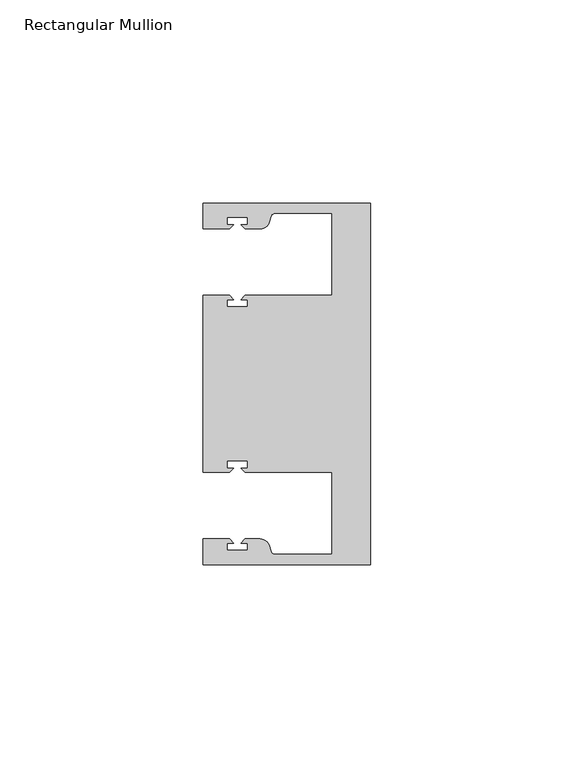
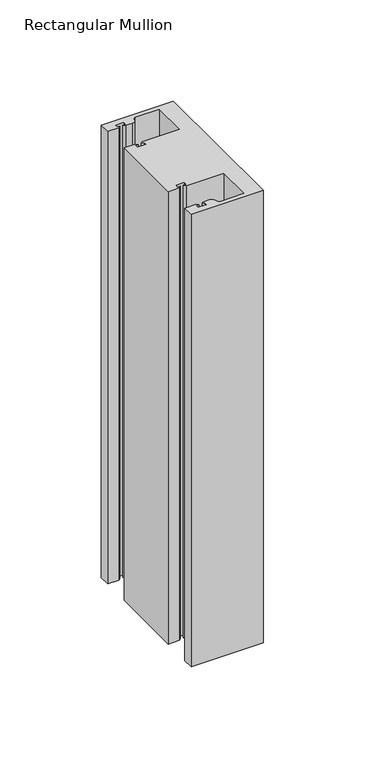
"""IFC4 building model written with IfcOpenShell, lengths in millimetres: member geometry, Rectangular Mullion."""

from ifc_helpers import new_model, si_unit, point, frame, frame_2d, origin, place, context, project, spatial, polyline, circle_curve, trimmed, segment, composite_curve, outline, extrude, source, transform, mapped, element, save


def rectangular_mullion_097ff7a3(model_context):
    return source(origin(), model_context, "Body", "SweptSolid", [
        extrude(outline(composite_curve([segment(polyline([(0.0, 44.45), (0.0, -44.45), (-41.275, -44.45), (-41.275, -38.1499897), (-34.8007531, -38.1499897), (-33.8007405, -39.1500023), (-35.3749778, -39.1500023), (-35.3749778, -40.9498819), (-30.3749831, -40.9498819), (-30.3749831, -39.1500023), (-31.949256, -39.1500023), (-30.9492503, -38.1499966), (-27.2637853, -38.1499966)]), True, "CONTINUOUS"), segment(trimmed(circle_curve(frame_2d((-27.2637853, -40.6499966)), 2.5), [point((-27.2637853, -38.1499966))], [point((-24.8489707, -40.002949))], False, "CARTESIAN"), True, "CONTINUOUS"), segment(polyline([(-24.8489707, -40.002949), (-24.5258588, -41.2088192)]), True, "CONTINUOUS"), segment(trimmed(circle_curve(frame_2d((-23.5599329, -40.9500001)), 1.0), [point((-24.5258588, -41.2088192))], [point((-23.5599329, -41.9500001))], True, "CARTESIAN"), True, "CONTINUOUS"), segment(polyline([(-23.5599329, -41.9500001), (-9.525, -41.95), (-9.525, -21.7499959), (-30.9492434, -21.7499959), (-31.949256, -20.7499834), (-30.3750186, -20.7499834), (-30.3750186, -18.949936), (-35.3750134, -18.949936), (-35.3750134, -20.7499834), (-33.8007405, -20.7499834), (-34.8007562, -21.749999), (-41.275, -21.749999), (-41.275, 21.749999), (-34.8007562, 21.749999), (-33.8007405, 20.7499834), (-35.3750134, 20.7499834), (-35.3750134, 18.949936), (-30.3750186, 18.949936), (-30.3750186, 20.7499834), (-31.949256, 20.7499834), (-30.9492434, 21.7499959), (-9.525, 21.7499959), (-9.525, 41.95), (-23.5599329, 41.95)]), True, "CONTINUOUS"), segment(trimmed(circle_curve(frame_2d((-23.5599329, 40.9500001)), 1.0), [point((-23.5599329, 41.95))], [point((-24.5258588, 41.2088192))], True, "CARTESIAN"), True, "CONTINUOUS"), segment(polyline([(-24.5258588, 41.2088192), (-24.8489707, 40.002949)]), True, "CONTINUOUS"), segment(trimmed(circle_curve(frame_2d((-27.2637853, 40.6499966)), 2.5), [point((-24.8489707, 40.002949))], [point((-27.2637853, 38.1499966))], False, "CARTESIAN"), True, "CONTINUOUS"), segment(polyline([(-27.2637853, 38.1499966), (-30.9492503, 38.1499966), (-31.949256, 39.1500023), (-30.3749831, 39.1500023), (-30.3749831, 40.9498819), (-35.3749778, 40.9498819), (-35.3749778, 39.1500023), (-33.8007405, 39.1500023), (-34.8007531, 38.1499897), (-41.2749977, 38.1499897), (-41.2749977, 44.45), (0.0, 44.45)]), True, "CONTINUOUS")], self_intersect=False)), frame((0.0, 0.0, -273.05), z_axis=(0.0, 0.0, 1.0), x_axis=(1.0, 0.0, 0.0)), (0.0, 0.0, 1.0), 273.05),
    ])


if __name__ == "__main__":
    model = new_model("IFC4")
    model_context = context("Model", 3, world=origin())
    ifc_project = project(units=[si_unit("LENGTHUNIT", "METRE", prefix="MILLI")], contexts=[model_context])
    site = spatial("IfcSite", under=ifc_project)
    building = spatial("IfcBuilding", under=site)
    placement = place(None, origin())
    rectangular_mullion_shape = rectangular_mullion_097ff7a3(model_context)
    element("IfcMember", 1, ObjectType="Rectangular Mullion", at=placement, inside=building, context=model_context, shape_type="MappedRepresentation", body=[
        mapped(rectangular_mullion_shape, transform((0.0, 0.0, 0.0), x_axis=(1.0, 0.0, 0.0), y_axis=(0.0, 1.0, 0.0), z_axis=(0.0, 0.0, 1.0))),
    ])
    save(model, "model.ifc")
